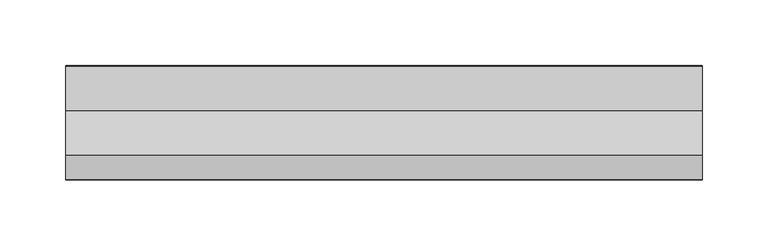
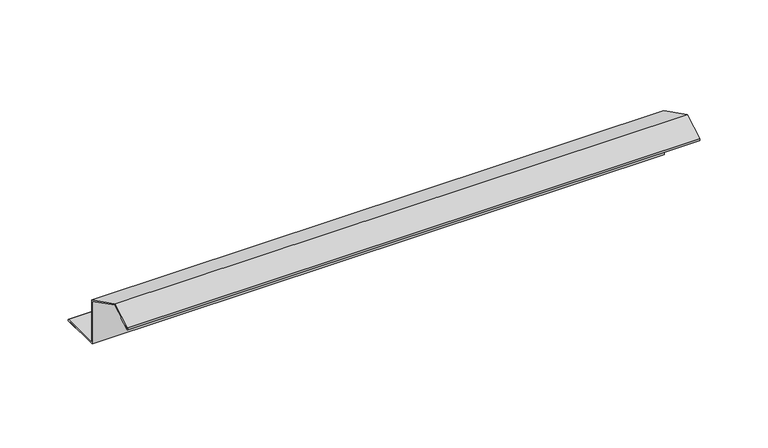
"""IFC4 building model written with IfcOpenShell, lengths in millimetres: proxy geometry."""

import ifcopenshell
import ifcopenshell.guid

model = None  # the IFC model being written
_history = None  # IfcOwnerHistory: only IFC2X3 demands one
_inside = {}  # id of a spatial element -> (the spatial element, [elements in it])
_under = {}  # id of a project, library or spatial element -> (it, [spatial elements below it])
_declared = {}  # id of a project -> (the project, [libraries it declares])
_typed = {}  # id of a type object -> (the type object, [elements of that type])
_made_of = {}  # id of a material, layer set ... -> (it, [elements and type objects made of it])


def new_model(schema):
    """Start an empty IFC model of exactly this schema.

    Asked for "IFC4X3", IfcOpenShell would pick the latest addendum, in which some entities
    have other attributes; the version numbers below select the first issue.
    IFC2X3 requires an IfcOwnerHistory on every rooted entity: one is made here for all.
    """
    global model, _history
    if schema == "IFC4X3":
        model = ifcopenshell.file(schema_version=(4, 3, 0, 0))
    else:
        model = ifcopenshell.file(schema=schema)
    _inside.clear()
    _under.clear()
    _declared.clear()
    _typed.clear()
    _made_of.clear()
    _history = None
    if model.schema == "IFC2X3":
        org = make("IfcOrganization", Name="unknown")
        user = make(
            "IfcPersonAndOrganization",
            ThePerson=make("IfcPerson", FamilyName="unknown"),
            TheOrganization=org,
        )
        app = make(
            "IfcApplication",
            ApplicationDeveloper=org,
            Version="unknown",
            ApplicationFullName="unknown",
            ApplicationIdentifier="unknown",
        )
        _history = make(
            "IfcOwnerHistory",
            OwningUser=user,
            OwningApplication=app,
            ChangeAction="ADDED",
            CreationDate=0,
        )
    return model


def make(cls, **values):
    """One entity of the class cls with the attributes given. An attribute that is None is left unset."""
    return model.create_entity(
        cls, **{name: value for name, value in values.items() if value is not None}
    )


def rooted(cls, **values):
    """An entity with a GlobalId (a new one), such as an element, a storey or a relation."""
    return make(cls, GlobalId=ifcopenshell.guid.new(), OwnerHistory=_history, **values)


def si_unit(unit_type, name, prefix=None):
    """IfcSIUnit, for example si_unit("LENGTHUNIT", "METRE", prefix="MILLI")."""
    return make("IfcSIUnit", UnitType=unit_type, Prefix=prefix, Name=name)


def assignment(units):
    """IfcUnitAssignment: the units of a project."""
    return None if units is None else make("IfcUnitAssignment", Units=units)


def point(xyz):
    """IfcCartesianPoint."""
    return None if xyz is None else make("IfcCartesianPoint", Coordinates=xyz)


def direction(xyz):
    """IfcDirection."""
    return None if xyz is None else make("IfcDirection", DirectionRatios=xyz)


def frame(location, z_axis=None, x_axis=None):
    """IfcAxis2Placement3D, a coordinate frame: its origin and axes. An axis left out is left unset."""
    return make(
        "IfcAxis2Placement3D",
        Location=point(location),
        Axis=direction(z_axis),
        RefDirection=direction(x_axis),
    )


def frame_2d(location, x_axis=None):
    """IfcAxis2Placement2D, a coordinate frame in the plane: its origin and x axis."""
    return make(
        "IfcAxis2Placement2D", Location=point(location), RefDirection=direction(x_axis)
    )


def origin():
    """The frame at (0, 0, 0) with its axes left unset."""
    return frame((0.0, 0.0, 0.0))


def place(relative_to, where):
    """IfcLocalPlacement: puts the frame where relative to a parent placement (None: the world)."""
    return make(
        "IfcLocalPlacement", PlacementRelTo=relative_to, RelativePlacement=where
    )


def context(
    kind, dimensions, precision=None, world=None, true_north=None, identifier=None
):
    """IfcGeometricRepresentationContext, for example the 3D "Model" context."""
    return make(
        "IfcGeometricRepresentationContext",
        ContextIdentifier=identifier,
        ContextType=kind,
        CoordinateSpaceDimension=dimensions,
        Precision=precision,
        WorldCoordinateSystem=world,
        TrueNorth=true_north,
    )


def project(units=None, contexts=None):
    """IfcProject with its units and contexts."""
    return rooted(
        "IfcProject",
        Name="project",
        RepresentationContexts=contexts,
        UnitsInContext=assignment(units),
    )


def spatial(cls, under=None, at=None, **own):
    """A site, building, storey or space (cls), placed at a placement, below another one or the project."""
    s = rooted(cls, ObjectPlacement=at, **own)
    if under is not None:
        _under.setdefault(under.id(), (under, []))[1].append(s)
    return s


def polyline(points):
    """IfcPolyline through the points."""
    return make("IfcPolyline", Points=[point(p) for p in points])


def circle_curve(where, radius):
    """IfcCircle in the frame where."""
    return make("IfcCircle", Position=where, Radius=radius)


def trimmed(basis, trim1, trim2, sense, master):
    """IfcTrimmedCurve: the piece of a basis curve between two trims."""
    return make(
        "IfcTrimmedCurve",
        BasisCurve=basis,
        Trim1=trim1,
        Trim2=trim2,
        SenseAgreement=sense,
        MasterRepresentation=master,
    )


def segment(curve, same_sense, transition):
    """IfcCompositeCurveSegment."""
    return make(
        "IfcCompositeCurveSegment",
        Transition=transition,
        SameSense=same_sense,
        ParentCurve=curve,
    )


def composite_curve(segments, self_intersect=None):
    """IfcCompositeCurve: segments joined end to end."""
    return make("IfcCompositeCurve", Segments=segments, SelfIntersect=self_intersect)


def outline(outer, holes=None, kind="AREA"):
    """IfcArbitraryClosedProfileDef: a profile drawn as a closed curve; with holes, ...WithVoids."""
    if holes is None:
        return make("IfcArbitraryClosedProfileDef", ProfileType=kind, OuterCurve=outer)
    return make(
        "IfcArbitraryProfileDefWithVoids",
        ProfileType=kind,
        OuterCurve=outer,
        InnerCurves=holes,
    )


def extrude(swept, where, along, depth):
    """IfcExtrudedAreaSolid: the profile swept, set in the frame where, extruded along a direction by depth."""
    return make(
        "IfcExtrudedAreaSolid",
        SweptArea=swept,
        Position=where,
        ExtrudedDirection=direction(along),
        Depth=depth,
    )


def shape(context_of_items, identifier, shape_type, items):
    """IfcShapeRepresentation: the items that make up one representation, for example the "Body"."""
    return make(
        "IfcShapeRepresentation",
        ContextOfItems=context_of_items,
        RepresentationIdentifier=identifier,
        RepresentationType=shape_type,
        Items=items,
    )


def source(mapping_origin, context_of_items, identifier, shape_type, items):
    """IfcRepresentationMap: a shape defined once, which mapped items show again and again."""
    return make(
        "IfcRepresentationMap",
        MappingOrigin=mapping_origin,
        MappedRepresentation=shape(context_of_items, identifier, shape_type, items),
    )


def transform(
    local_origin,
    x_axis=None,
    y_axis=None,
    z_axis=None,
    scale=None,
    scale2=None,
    scale3=None,
    uniform=True,
):
    """IfcCartesianTransformationOperator3D, or its non-uniform kind. x_axis, y_axis, z_axis: its Axis1, 2, 3."""
    if uniform:
        return make(
            "IfcCartesianTransformationOperator3D",
            Axis1=direction(x_axis),
            Axis2=direction(y_axis),
            LocalOrigin=point(local_origin),
            Scale=scale,
            Axis3=direction(z_axis),
        )
    return make(
        "IfcCartesianTransformationOperator3DnonUniform",
        Axis1=direction(x_axis),
        Axis2=direction(y_axis),
        LocalOrigin=point(local_origin),
        Scale=scale,
        Axis3=direction(z_axis),
        Scale2=scale2,
        Scale3=scale3,
    )


def mapped(mapping_source, mapping_target):
    """IfcMappedItem: shows the shape of a source again, moved by a transform."""
    return make(
        "IfcMappedItem", MappingSource=mapping_source, MappingTarget=mapping_target
    )


def made_of(thing, what):
    """Note that an element or type object is made of a material, layer set ...; save() writes the relation."""
    if what is not None:
        _made_of.setdefault(what.id(), (what, []))[1].append(thing)
    return thing


def element(
    cls,
    number,
    at=None,
    inside=None,
    cuts=None,
    type_object=None,
    material=None,
    context=None,
    identifier="Body",
    shape_type=None,
    held_by="IfcProductDefinitionShape",
    body=None,
    shapes=None,
    **own,
):
    """One element of the class cls, such as IfcWall. Its Tag is "e" and its number.

    at: its placement. inside: the storey or other place that contains it. cuts: it is an
    opening in that element (IfcRelVoidsElement). A single representation is given by context,
    identifier, shape_type and body (its items); several are given by shapes. held_by: the class
    of the entity that holds the representations. save() writes the other relations.
    """
    e = rooted(cls, Tag="e%d" % number, ObjectPlacement=at, **own)
    if body is not None:
        shapes = [shape(context, identifier, shape_type, body)]
    if shapes is not None:
        e.Representation = make(held_by, Representations=shapes)
    if inside is not None:
        _inside.setdefault(inside.id(), (inside, []))[1].append(e)
    if cuts is not None:
        rooted(
            "IfcRelVoidsElement", RelatingBuildingElement=cuts, RelatedOpeningElement=e
        )
    if type_object is not None:
        _typed.setdefault(type_object.id(), (type_object, []))[1].append(e)
    return made_of(e, material)


def aggregate(whole, parts):
    """IfcRelAggregates: a whole, such as a stair, and the parts it consists of."""
    return rooted("IfcRelAggregates", RelatingObject=whole, RelatedObjects=parts)


def save(model, path):
    """Write the relations noted so far, then the file.

    IfcRelAggregates (storeys below a building ...), IfcRelContainedInSpatialStructure (elements
    in a storey), IfcRelDefinesByType, IfcRelAssociatesMaterial and IfcRelDeclares: one each for
    every whole, place, type object, material and project.
    """
    for whole, parts in _under.values():
        aggregate(whole, parts)
    for where, things in _inside.values():
        rooted(
            "IfcRelContainedInSpatialStructure",
            RelatedElements=things,
            RelatingStructure=where,
        )
    for kind, things in _typed.values():
        rooted("IfcRelDefinesByType", RelatedObjects=things, RelatingType=kind)
    for what, things in _made_of.values():
        rooted("IfcRelAssociatesMaterial", RelatedObjects=things, RelatingMaterial=what)
    for by, libraries in _declared.values():
        rooted("IfcRelDeclares", RelatingContext=by, RelatedDefinitions=libraries)
    model.write(path)


def generic_models_3ee9c5ad(model_context):
    return source(origin(), model_context, "Body", "SweptSolid", [
        extrude(outline(composite_curve([segment(polyline([(0.4375, 45.4538149), (18.8594641, 56.0897408), (52.8432394, 38.7246617), (52.8432394, 0.7379399), (86.6969088, 0.7379399)]), True, "CONTINUOUS"), segment(trimmed(circle_curve(frame_2d((86.6969088, -0.0870601)), 0.825), [point((86.6969088, 0.7379399))], [point((86.6969088, -0.9120601))], False, "CARTESIAN"), True, "CONTINUOUS"), segment(polyline([(86.6969088, -0.9120601), (76.6969088, -0.9120601), (76.6969088, -0.1120601), (86.4258767, -0.1120601), (52.0432394, 0.0408361), (52.0432394, 38.2350564), (18.8827751, 55.179439), (0.8375, 44.7609946), (9.583234, 49.6369335), (9.972754, 48.9382704), (1.3125, 43.9382704)]), True, "CONTINUOUS"), segment(trimmed(circle_curve(frame_2d((0.875, 44.6960426)), 0.875), [point((1.3125, 43.9382704))], [point((0.4375, 45.4538149))], False, "CARTESIAN"), True, "CONTINUOUS")], self_intersect=False)), frame((0.0, 0.0, 0.0), z_axis=(1.0, 0.0, 0.0), x_axis=(0.0, 1.0, 0.0)), (0.0, 0.0, 1.0), 485.1477558),
    ])


if __name__ == "__main__":
    model = new_model("IFC4")
    model_context = context("Model", 3, world=origin())
    ifc_project = project(units=[si_unit("LENGTHUNIT", "METRE", prefix="MILLI")], contexts=[model_context])
    site = spatial("IfcSite", under=ifc_project)
    building = spatial("IfcBuilding", under=site)
    placement = place(None, origin())
    generic_models_shape = generic_models_3ee9c5ad(model_context)
    element("IfcBuildingElementProxy", 1, Name="Generic Models", at=placement, inside=building, context=model_context, shape_type="MappedRepresentation", body=[
        mapped(generic_models_shape, transform((0.0, 0.0, 0.0), x_axis=(1.0, 0.0, 0.0), y_axis=(0.0, 1.0, 0.0), z_axis=(0.0, 0.0, 1.0))),
    ])
    save(model, "model.ifc")
